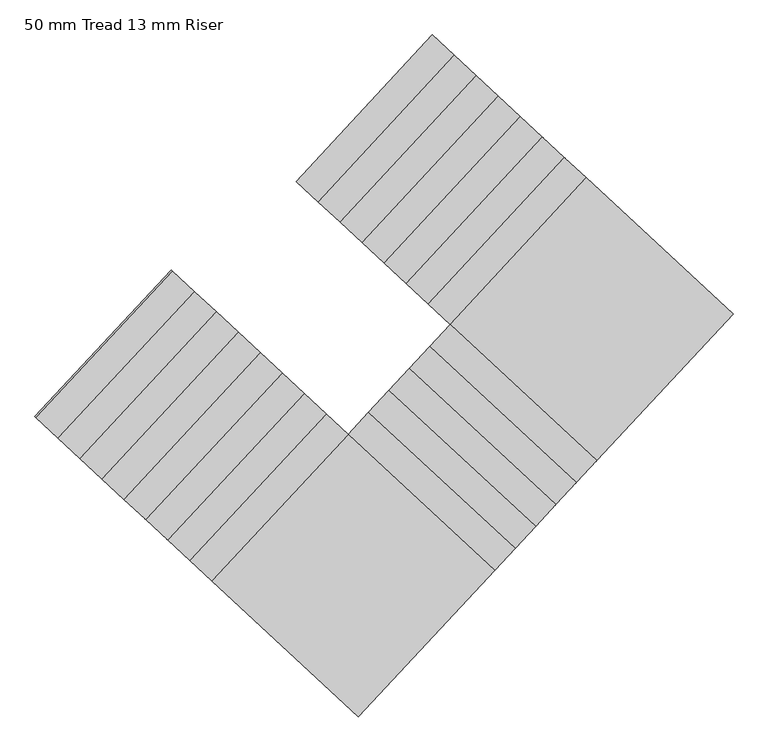
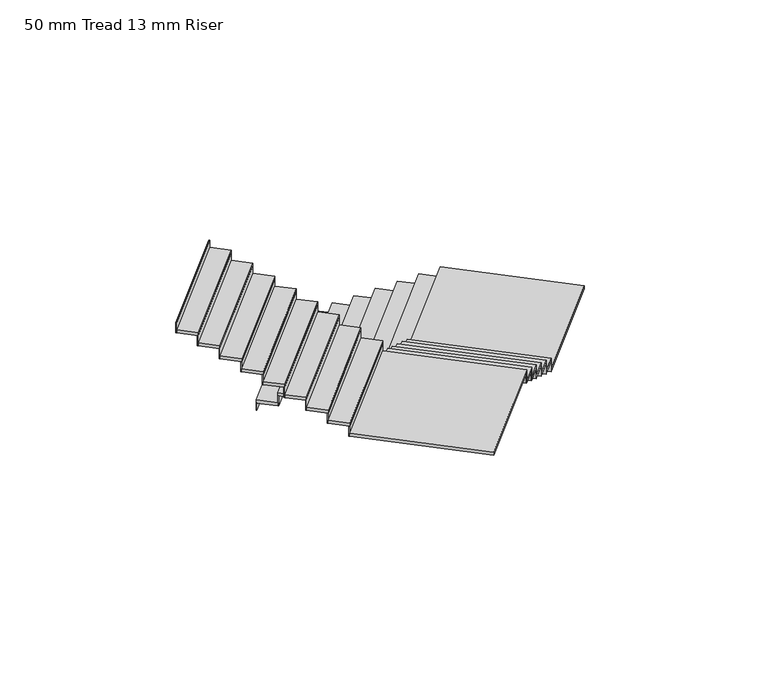
"""IFC4 building model written with IfcOpenShell, lengths in millimetres: stair flight geometry, 50 mm Tread 13 mm Riser."""

from ifc_helpers import new_model, si_unit, frame, origin, place, context, project, spatial, polyline, outline, extrude, source, transform, mapped, element, save


def stair_flight_50_mm_tread_13_mm_riser_52413796(model_context):
    return source(origin(), model_context, "Body", "SweptSolid", [
        extrude(outline(polyline([(-224111.8923245, 1149.5064347), (-224121.0507096, 1158.0137246), (-222759.8843152, 2623.3553389), (-222750.7259301, 2614.848049), (-224111.8923245, 1149.5064347)])), frame((0.0, 0.0, 4680.0), z_axis=(0.0, 0.0, 1.0), x_axis=(1.0, 0.0, 0.0)), (0.0, 0.0, 1.0), 116.6666667),
        extrude(outline(polyline([(-222540.083073, 2419.1803798), (-223901.2494674, 953.8387655), (-224121.0507096, 1158.0137246), (-222759.8843152, 2623.3553389), (-222540.083073, 2419.1803798)])), frame((0.0, 0.0, 4796.6666667), z_axis=(0.0, 0.0, 1.0), x_axis=(1.0, 0.0, 0.0)), (0.0, 0.0, 1.0), 50.0),
        extrude(outline(polyline([(-223892.0910823, 945.3314755), (-223901.2494674, 953.8387655), (-222540.083073, 2419.1803798), (-222530.9246879, 2410.6730898), (-223892.0910823, 945.3314755)])), frame((0.0, 0.0, 4796.6666667), z_axis=(0.0, 0.0, 1.0), x_axis=(1.0, 0.0, 0.0)), (0.0, 0.0, 1.0), 166.6666667),
        extrude(outline(polyline([(-222320.2818309, 2215.0054206), (-223681.4482253, 749.6638063), (-223901.2494674, 953.8387655), (-222540.083073, 2419.1803798), (-222320.2818309, 2215.0054206)])), frame((0.0, 0.0, 4963.3333333), z_axis=(0.0, 0.0, 1.0), x_axis=(1.0, 0.0, 0.0)), (0.0, 0.0, 1.0), 50.0),
        extrude(outline(polyline([(-223672.2898402, 741.1565163), (-223681.4482253, 749.6638063), (-222320.2818309, 2215.0054206), (-222311.1234458, 2206.4981307), (-223672.2898402, 741.1565163)])), frame((0.0, 0.0, 4963.3333333), z_axis=(0.0, 0.0, 1.0), x_axis=(1.0, 0.0, 0.0)), (0.0, 0.0, 1.0), 166.6666667),
        extrude(outline(polyline([(-222100.4805887, 2010.8304615), (-223461.6469831, 545.4888471), (-223681.4482253, 749.6638063), (-222320.2818309, 2215.0054206), (-222100.4805887, 2010.8304615)])), frame((0.0, 0.0, 5130.0), z_axis=(0.0, 0.0, 1.0), x_axis=(1.0, 0.0, 0.0)), (0.0, 0.0, 1.0), 50.0),
        extrude(outline(polyline([(-223452.488598, 536.9815572), (-223461.6469831, 545.4888471), (-222100.4805887, 2010.8304614), (-222091.3222036, 2002.3231715), (-223452.488598, 536.9815572)])), frame((0.0, 0.0, 5130.0), z_axis=(0.0, 0.0, 1.0), x_axis=(1.0, 0.0, 0.0)), (0.0, 0.0, 1.0), 166.6666667),
        extrude(outline(polyline([(-221880.6793466, 1806.6555023), (-223241.845741, 341.313888), (-223461.6469831, 545.4888471), (-222100.4805887, 2010.8304614), (-221880.6793466, 1806.6555023)])), frame((0.0, 0.0, 5296.6666667), z_axis=(0.0, 0.0, 1.0), x_axis=(1.0, 0.0, 0.0)), (0.0, 0.0, 1.0), 50.0),
        extrude(outline(polyline([(-223232.6873559, 332.806598), (-223241.845741, 341.313888), (-221880.6793466, 1806.6555023), (-221871.5209615, 1798.1482123), (-223232.6873559, 332.806598)])), frame((0.0, 0.0, 5296.6666667), z_axis=(0.0, 0.0, 1.0), x_axis=(1.0, 0.0, 0.0)), (0.0, 0.0, 1.0), 166.6666667),
        extrude(outline(polyline([(-221660.8781044, 1602.4805431), (-223022.0444988, 137.1389288), (-223241.845741, 341.313888), (-221880.6793466, 1806.6555023), (-221660.8781044, 1602.4805431)])), frame((0.0, 0.0, 5463.3333333), z_axis=(0.0, 0.0, 1.0), x_axis=(1.0, 0.0, 0.0)), (0.0, 0.0, 1.0), 50.0),
        extrude(outline(polyline([(-223012.8861138, 128.6316388), (-223022.0444988, 137.1389288), (-221660.8781044, 1602.4805431), (-221651.7197193, 1593.9732532), (-223012.8861138, 128.6316388)])), frame((0.0, 0.0, 5463.3333333), z_axis=(0.0, 0.0, 1.0), x_axis=(1.0, 0.0, 0.0)), (0.0, 0.0, 1.0), 166.6666667),
        extrude(outline(polyline([(-221441.0768623, 1398.305584), (-222802.2432567, -67.0360304), (-223022.0444988, 137.1389288), (-221660.8781044, 1602.4805431), (-221441.0768623, 1398.305584)])), frame((0.0, 0.0, 5630.0), z_axis=(0.0, 0.0, 1.0), x_axis=(1.0, 0.0, 0.0)), (0.0, 0.0, 1.0), 50.0),
        extrude(outline(polyline([(-222793.0848716, -75.5433203), (-222802.2432567, -67.0360304), (-221441.0768623, 1398.305584), (-221431.9184772, 1389.798294), (-222793.0848716, -75.5433203)])), frame((0.0, 0.0, 5630.0), z_axis=(0.0, 0.0, 1.0), x_axis=(1.0, 0.0, 0.0)), (0.0, 0.0, 1.0), 166.6666667),
        extrude(outline(polyline([(-221221.2756201, 1194.1306248), (-222582.4420145, -271.2109895), (-222802.2432567, -67.0360304), (-221441.0768623, 1398.305584), (-221221.2756201, 1194.1306248)])), frame((0.0, 0.0, 5796.6666667), z_axis=(0.0, 0.0, 1.0), x_axis=(1.0, 0.0, 0.0)), (0.0, 0.0, 1.0), 50.0),
        extrude(outline(polyline([(-222573.2836295, -279.7182795), (-222582.4420145, -271.2109895), (-221221.2756201, 1194.1306248), (-221212.117235, 1185.6233348), (-222573.2836295, -279.7182795)])), frame((0.0, 0.0, 5796.6666667), z_axis=(0.0, 0.0, 1.0), x_axis=(1.0, 0.0, 0.0)), (0.0, 0.0, 1.0), 166.6666667),
        extrude(outline(polyline([(-221117.1004002, -1632.377384), (-222582.4420145, -271.2109895), (-221221.2756201, 1194.1306248), (-219755.9340058, -167.0357696), (-221117.1004002, -1632.377384)])), frame((0.0, 0.0, 5963.3333333), z_axis=(0.0, 0.0, 1.0), x_axis=(1.0, 0.0, 0.0)), (0.0, 0.0, 1.0), 50.0),
        extrude(outline(polyline([(-222590.9493045, -280.3693746), (-222582.4420145, -271.2109895), (-221117.1004002, -1632.377384), (-221125.6076902, -1641.5357691), (-222590.9493045, -280.3693746)])), frame((0.0, 0.0, 5963.3333333), z_axis=(0.0, 0.0, 1.0), x_axis=(1.0, 0.0, 0.0)), (0.0, 0.0, 1.0), 166.6666667),
        extrude(outline(polyline([(-221321.2753594, -1852.1786261), (-222786.6169737, -491.0122317), (-222582.4420145, -271.2109895), (-221117.1004002, -1632.377384), (-221321.2753594, -1852.1786261)])), frame((0.0, 0.0, 6130.0), z_axis=(0.0, 0.0, 1.0), x_axis=(1.0, 0.0, 0.0)), (0.0, 0.0, 1.0), 50.0),
        extrude(outline(polyline([(-222795.1242637, -500.1706168), (-222786.6169737, -491.0122317), (-221321.2753594, -1852.1786261), (-221329.7826494, -1861.3370112), (-222795.1242637, -500.1706168)])), frame((0.0, 0.0, 6130.0), z_axis=(0.0, 0.0, 1.0), x_axis=(1.0, 0.0, 0.0)), (0.0, 0.0, 1.0), 166.6666667),
        extrude(outline(polyline([(-221525.4503186, -2071.9798683), (-222990.7919329, -710.8134738), (-222786.6169737, -491.0122317), (-221321.2753594, -1852.1786261), (-221525.4503186, -2071.9798683)])), frame((0.0, 0.0, 6296.6666667), z_axis=(0.0, 0.0, 1.0), x_axis=(1.0, 0.0, 0.0)), (0.0, 0.0, 1.0), 50.0),
        extrude(outline(polyline([(-222999.2992228, -719.9718589), (-222990.7919329, -710.8134738), (-221525.4503186, -2071.9798683), (-221533.9576085, -2081.1382534), (-222999.2992228, -719.9718589)])), frame((0.0, 0.0, 6296.6666667), z_axis=(0.0, 0.0, 1.0), x_axis=(1.0, 0.0, 0.0)), (0.0, 0.0, 1.0), 166.6666667),
        extrude(outline(polyline([(-221729.6252777, -2291.7811104), (-223194.966892, -930.614716), (-222990.7919329, -710.8134738), (-221525.4503186, -2071.9798683), (-221729.6252777, -2291.7811104)])), frame((0.0, 0.0, 6463.3333333), z_axis=(0.0, 0.0, 1.0), x_axis=(1.0, 0.0, 0.0)), (0.0, 0.0, 1.0), 50.0),
        extrude(outline(polyline([(-223203.474182, -939.7731011), (-223194.966892, -930.614716), (-221729.6252777, -2291.7811104), (-221738.1325677, -2300.9394955), (-223203.474182, -939.7731011)])), frame((0.0, 0.0, 6463.3333333), z_axis=(0.0, 0.0, 1.0), x_axis=(1.0, 0.0, 0.0)), (0.0, 0.0, 1.0), 166.6666667),
        extrude(outline(polyline([(-221933.8002369, -2511.5823526), (-223399.1418512, -1150.4159581), (-223194.966892, -930.614716), (-221729.6252777, -2291.7811104), (-221933.8002369, -2511.5823526)])), frame((0.0, 0.0, 6630.0), z_axis=(0.0, 0.0, 1.0), x_axis=(1.0, 0.0, 0.0)), (0.0, 0.0, 1.0), 50.0),
        extrude(outline(polyline([(-223407.6491412, -1159.5743432), (-223399.1418512, -1150.4159581), (-221933.8002369, -2511.5823526), (-221942.3075269, -2520.7407377), (-223407.6491412, -1159.5743432)])), frame((0.0, 0.0, 6630.0), z_axis=(0.0, 0.0, 1.0), x_axis=(1.0, 0.0, 0.0)), (0.0, 0.0, 1.0), 166.6666667),
        extrude(outline(polyline([(-222137.9751961, -2731.3835947), (-223603.3168104, -1370.2172003), (-223399.1418512, -1150.4159581), (-221933.8002369, -2511.5823526), (-222137.9751961, -2731.3835947)])), frame((0.0, 0.0, 6796.6666667), z_axis=(0.0, 0.0, 1.0), x_axis=(1.0, 0.0, 0.0)), (0.0, 0.0, 1.0), 50.0),
        extrude(outline(polyline([(-223611.8241003, -1379.3755854), (-223603.3168104, -1370.2172003), (-222137.9751961, -2731.3835947), (-222146.482486, -2740.5419798), (-223611.8241003, -1379.3755854)])), frame((0.0, 0.0, 6796.6666667), z_axis=(0.0, 0.0, 1.0), x_axis=(1.0, 0.0, 0.0)), (0.0, 0.0, 1.0), 166.6666667),
        extrude(outline(polyline([(-224964.4832048, -2835.5588146), (-223603.3168104, -1370.2172003), (-222137.9751961, -2731.3835947), (-223499.1415905, -4196.725209), (-224964.4832048, -2835.5588146)])), frame((0.0, 0.0, 6963.3333333), z_axis=(0.0, 0.0, 1.0), x_axis=(1.0, 0.0, 0.0)), (0.0, 0.0, 1.0), 50.0),
        extrude(outline(polyline([(-223612.4751955, -1361.7099103), (-223603.3168104, -1370.2172003), (-224964.4832048, -2835.5588146), (-224973.6415899, -2827.0515246), (-223612.4751955, -1361.7099103)])), frame((0.0, 0.0, 6963.3333333), z_axis=(0.0, 0.0, 1.0), x_axis=(1.0, 0.0, 0.0)), (0.0, 0.0, 1.0), 166.6666667),
        extrude(outline(polyline([(-225184.284447, -2631.3838554), (-223823.1180525, -1166.0422411), (-223603.3168104, -1370.2172003), (-224964.4832048, -2835.5588146), (-225184.284447, -2631.3838554)])), frame((0.0, 0.0, 7130.0), z_axis=(0.0, 0.0, 1.0), x_axis=(1.0, 0.0, 0.0)), (0.0, 0.0, 1.0), 50.0),
        extrude(outline(polyline([(-223832.2764376, -1157.5349511), (-223823.1180525, -1166.0422411), (-225184.284447, -2631.3838554), (-225193.442832, -2622.8765655), (-223832.2764376, -1157.5349511)])), frame((0.0, 0.0, 7130.0), z_axis=(0.0, 0.0, 1.0), x_axis=(1.0, 0.0, 0.0)), (0.0, 0.0, 1.0), 166.6666667),
        extrude(outline(polyline([(-225404.0856891, -2427.2088963), (-224042.9192947, -961.8672819), (-223823.1180525, -1166.0422411), (-225184.284447, -2631.3838554), (-225404.0856891, -2427.2088963)])), frame((0.0, 0.0, 7296.6666667), z_axis=(0.0, 0.0, 1.0), x_axis=(1.0, 0.0, 0.0)), (0.0, 0.0, 1.0), 50.0),
        extrude(outline(polyline([(-224052.0776798, -953.359992), (-224042.9192947, -961.8672819), (-225404.0856891, -2427.2088963), (-225413.2440742, -2418.7016063), (-224052.0776798, -953.359992)])), frame((0.0, 0.0, 7296.6666667), z_axis=(0.0, 0.0, 1.0), x_axis=(1.0, 0.0, 0.0)), (0.0, 0.0, 1.0), 166.6666667),
        extrude(outline(polyline([(-225623.8869313, -2223.0339371), (-224262.7205368, -757.6923228), (-224042.9192947, -961.8672819), (-225404.0856891, -2427.2088963), (-225623.8869313, -2223.0339371)])), frame((0.0, 0.0, 7463.3333333), z_axis=(0.0, 0.0, 1.0), x_axis=(1.0, 0.0, 0.0)), (0.0, 0.0, 1.0), 50.0),
        extrude(outline(polyline([(-224271.8789219, -749.1850328), (-224262.7205368, -757.6923228), (-225623.8869313, -2223.0339371), (-225633.0453163, -2214.5266471), (-224271.8789219, -749.1850328)])), frame((0.0, 0.0, 7463.3333333), z_axis=(0.0, 0.0, 1.0), x_axis=(1.0, 0.0, 0.0)), (0.0, 0.0, 1.0), 166.6666667),
        extrude(outline(polyline([(-225843.6881734, -2018.8589779), (-224482.521779, -553.5173636), (-224262.7205368, -757.6923228), (-225623.8869313, -2223.0339371), (-225843.6881734, -2018.8589779)])), frame((0.0, 0.0, 7630.0), z_axis=(0.0, 0.0, 1.0), x_axis=(1.0, 0.0, 0.0)), (0.0, 0.0, 1.0), 50.0),
        extrude(outline(polyline([(-224491.6801641, -545.0100737), (-224482.521779, -553.5173636), (-225843.6881734, -2018.8589779), (-225852.8465585, -2010.351688), (-224491.6801641, -545.0100737)])), frame((0.0, 0.0, 7630.0), z_axis=(0.0, 0.0, 1.0), x_axis=(1.0, 0.0, 0.0)), (0.0, 0.0, 1.0), 166.6666667),
        extrude(outline(polyline([(-226063.4894156, -1814.6840188), (-224702.3230211, -349.3424045), (-224482.521779, -553.5173636), (-225843.6881734, -2018.8589779), (-226063.4894156, -1814.6840188)])), frame((0.0, 0.0, 7796.6666667), z_axis=(0.0, 0.0, 1.0), x_axis=(1.0, 0.0, 0.0)), (0.0, 0.0, 1.0), 50.0),
        extrude(outline(polyline([(-224711.4814062, -340.8351145), (-224702.3230211, -349.3424044), (-226063.4894156, -1814.6840188), (-226072.6478006, -1806.1767288), (-224711.4814062, -340.8351145)])), frame((0.0, 0.0, 7796.6666667), z_axis=(0.0, 0.0, 1.0), x_axis=(1.0, 0.0, 0.0)), (0.0, 0.0, 1.0), 166.6666667),
        extrude(outline(polyline([(-226283.2906577, -1610.5090596), (-224922.1242633, -145.1674453), (-224702.3230211, -349.3424044), (-226063.4894156, -1814.6840188), (-226283.2906577, -1610.5090596)])), frame((0.0, 0.0, 7963.3333333), z_axis=(0.0, 0.0, 1.0), x_axis=(1.0, 0.0, 0.0)), (0.0, 0.0, 1.0), 50.0),
        extrude(outline(polyline([(-224931.2826484, -136.6601553), (-224922.1242633, -145.1674453), (-226283.2906577, -1610.5090596), (-226292.4490428, -1602.0017696), (-224931.2826484, -136.6601553)])), frame((0.0, 0.0, 7963.3333333), z_axis=(0.0, 0.0, 1.0), x_axis=(1.0, 0.0, 0.0)), (0.0, 0.0, 1.0), 166.6666667),
        extrude(outline(polyline([(-226503.0918999, -1406.3341004), (-225141.9255054, 59.0075139), (-224922.1242633, -145.1674453), (-226283.2906577, -1610.5090596), (-226503.0918999, -1406.3341004)])), frame((0.0, 0.0, 8130.0), z_axis=(0.0, 0.0, 1.0), x_axis=(1.0, 0.0, 0.0)), (0.0, 0.0, 1.0), 50.0),
        extrude(outline(polyline([(-225151.0838905, 67.5148038), (-225141.9255054, 59.0075139), (-226503.0918999, -1406.3341004), (-226512.2502849, -1397.8268105), (-225151.0838905, 67.5148038)])), frame((0.0, 0.0, 8130.0), z_axis=(0.0, 0.0, 1.0), x_axis=(1.0, 0.0, 0.0)), (0.0, 0.0, 1.0), 166.6666667),
        extrude(outline(polyline([(-225370.8851327, 271.689763), (-225361.7267476, 263.182473), (-226722.893142, -1202.1591413), (-226732.0515271, -1193.6518513), (-225370.8851327, 271.689763)])), frame((0.0, 0.0, 8296.6666667), z_axis=(0.0, 0.0, 1.0), x_axis=(1.0, 0.0, 0.0)), (0.0, 0.0, 1.0), 166.6666667),
        extrude(outline(polyline([(-226722.893142, -1202.1591413), (-225361.7267476, 263.182473), (-225141.9255054, 59.0075139), (-226503.0918999, -1406.3341004), (-226722.893142, -1202.1591413)])), frame((0.0, 0.0, 8296.6666667), z_axis=(0.0, 0.0, 1.0), x_axis=(1.0, 0.0, 0.0)), (0.0, 0.0, 1.0), 50.0),
    ])


if __name__ == "__main__":
    model = new_model("IFC4")
    model_context = context("Model", 3, world=origin())
    ifc_project = project(units=[si_unit("LENGTHUNIT", "METRE", prefix="MILLI")], contexts=[model_context])
    site = spatial("IfcSite", under=ifc_project)
    building = spatial("IfcBuilding", under=site)
    placement = place(None, origin())
    stair_flight_50_mm_tread_13_mm_riser_shape = stair_flight_50_mm_tread_13_mm_riser_52413796(model_context)
    element("IfcStairFlight", 1, ObjectType="50 mm Tread 13 mm Riser", at=placement, inside=building, context=model_context, shape_type="MappedRepresentation", body=[
        mapped(stair_flight_50_mm_tread_13_mm_riser_shape, transform((0.0, 0.0, 0.0), x_axis=(1.0, 0.0, 0.0), y_axis=(0.0, 1.0, 0.0), z_axis=(0.0, 0.0, 1.0))),
    ])
    save(model, "model.ifc")
